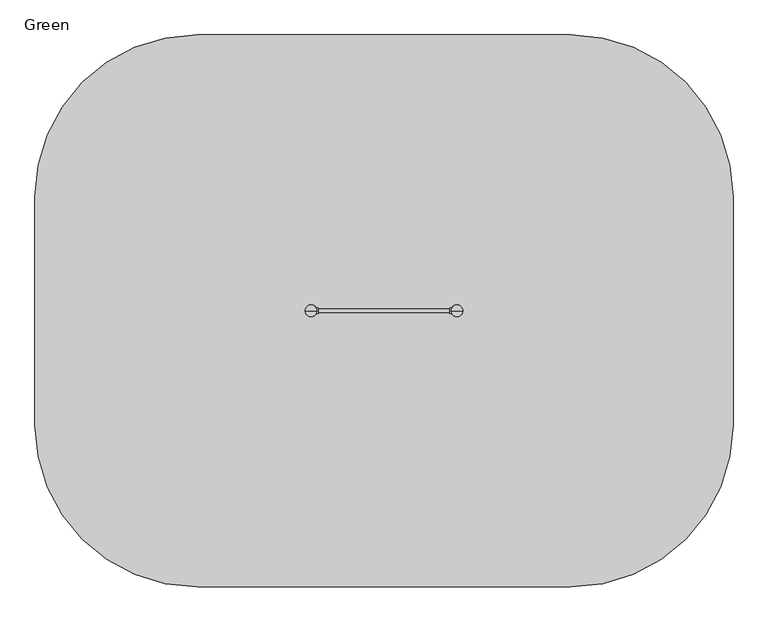
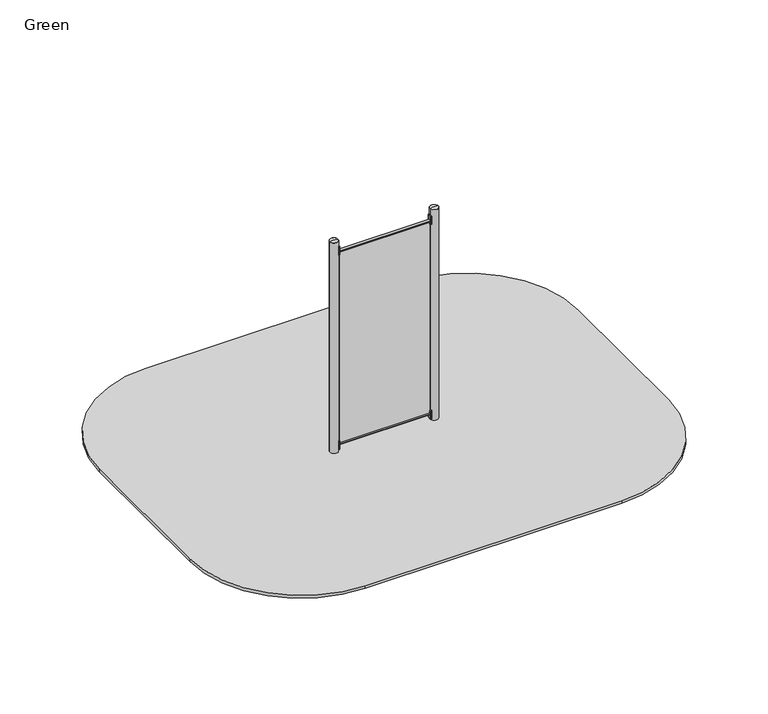
"""IFC4 building model written with IfcOpenShell, lengths in millimetres: furniture geometry, Green."""

from ifc_helpers import new_model, si_unit, point, frame, frame_2d, origin, place, context, project, spatial, polyline, circle_curve, ellipse_curve, trimmed, segment, composite_curve, outline, extrude, source, transform, mapped, element, save
from ifc_brep_helpers import plane_surface, cylinder_surface, revolved_surface, extruded_surface, advanced_brep


def green_a19da699(model_context):
    return source(origin(), model_context, "Body", "SolidModel", [
        extrude(outline(composite_curve([segment(trimmed(circle_curve(frame_2d((-627.9777489, 30.3699948)), 1.0), [point((-628.81792, 29.8276734))], [point((-627.6357288, 31.3096874))], False, "CARTESIAN"), True, "CONTINUOUS"), segment(polyline([(-627.6357288, 31.3096874), (-610.9579799, 25.2394832)]), True, "CONTINUOUS"), segment(trimmed(circle_curve(frame_2d((-611.3, 24.2997906)), 1.0), [point((-610.9579799, 25.2394832))], [point((-610.3, 24.2997906))], False, "CARTESIAN"), True, "CONTINUOUS"), segment(polyline([(-610.3, 24.2997906), (-610.3, -24.2997943)]), True, "CONTINUOUS"), segment(trimmed(circle_curve(frame_2d((-611.3, -24.2997943)), 1.0), [point((-610.3, -24.2997943))], [point((-610.9579799, -25.2394869))], False, "CARTESIAN"), True, "CONTINUOUS"), segment(polyline([(-610.9579799, -25.2394869), (-627.6357288, -31.3096911)]), True, "CONTINUOUS"), segment(trimmed(circle_curve(frame_2d((-627.9777489, -30.3699985)), 1.0), [point((-627.6357288, -31.3096911))], [point((-628.81792, -29.8276771))], False, "CARTESIAN"), True, "CONTINUOUS"), segment(trimmed(circle_curve(frame_2d((-675.0273324, -1.9e-06)), 55.0), [point((-628.81792, -29.8276771))], [point((-628.81792, 29.8276734))], True, "CARTESIAN"), True, "CONTINUOUS")], self_intersect=False)), frame((0.0, 0.0, 2790.0), z_axis=(0.0, 0.0, 1.0), x_axis=(1.0, 0.0, 0.0)), (0.0, 0.0, 1.0), 120.0),
        extrude(outline(composite_curve([segment(trimmed(circle_curve(frame_2d((-627.9777489, 30.3699948)), 1.0), [point((-628.81792, 29.8276734))], [point((-627.6357288, 31.3096874))], False, "CARTESIAN"), True, "CONTINUOUS"), segment(polyline([(-627.6357288, 31.3096874), (-610.9579799, 25.2394832)]), True, "CONTINUOUS"), segment(trimmed(circle_curve(frame_2d((-611.3, 24.2997906)), 1.0), [point((-610.9579799, 25.2394832))], [point((-610.3, 24.2997906))], False, "CARTESIAN"), True, "CONTINUOUS"), segment(polyline([(-610.3, 24.2997906), (-610.3, -24.2997943)]), True, "CONTINUOUS"), segment(trimmed(circle_curve(frame_2d((-611.3, -24.2997943)), 1.0), [point((-610.3, -24.2997943))], [point((-610.9579799, -25.2394869))], False, "CARTESIAN"), True, "CONTINUOUS"), segment(polyline([(-610.9579799, -25.2394869), (-627.6357288, -31.3096911)]), True, "CONTINUOUS"), segment(trimmed(circle_curve(frame_2d((-627.9777489, -30.3699985)), 1.0), [point((-627.6357288, -31.3096911))], [point((-628.81792, -29.8276771))], False, "CARTESIAN"), True, "CONTINUOUS"), segment(trimmed(circle_curve(frame_2d((-675.0273324, -1.9e-06)), 55.0), [point((-628.81792, -29.8276771))], [point((-628.81792, 29.8276734))], True, "CARTESIAN"), True, "CONTINUOUS")], self_intersect=False)), frame((0.0, 0.0, 20.0), z_axis=(0.0, 0.0, 1.0), x_axis=(1.0, 0.0, 0.0)), (0.0, 0.0, 1.0), 120.0),
        extrude(outline(composite_curve([segment(trimmed(circle_curve(frame_2d((627.9777489, -30.3699948)), 1.0), [point((628.81792, -29.8276734))], [point((627.6357288, -31.3096874))], False, "CARTESIAN"), True, "CONTINUOUS"), segment(polyline([(627.6357288, -31.3096874), (610.9579799, -25.2394832)]), True, "CONTINUOUS"), segment(trimmed(circle_curve(frame_2d((611.3, -24.2997906)), 1.0), [point((610.9579799, -25.2394832))], [point((610.3, -24.2997906))], False, "CARTESIAN"), True, "CONTINUOUS"), segment(polyline([(610.3, -24.2997906), (610.3, 24.2997943)]), True, "CONTINUOUS"), segment(trimmed(circle_curve(frame_2d((611.3, 24.2997943)), 1.0), [point((610.3, 24.2997943))], [point((610.9579799, 25.2394869))], False, "CARTESIAN"), True, "CONTINUOUS"), segment(polyline([(610.9579799, 25.2394869), (627.6357288, 31.3096911)]), True, "CONTINUOUS"), segment(trimmed(circle_curve(frame_2d((627.9777489, 30.3699985)), 1.0), [point((627.6357288, 31.3096911))], [point((628.81792, 29.8276771))], False, "CARTESIAN"), True, "CONTINUOUS"), segment(trimmed(circle_curve(frame_2d((675.0273324, 1.9e-06)), 55.0), [point((628.81792, 29.8276771))], [point((628.81792, -29.8276734))], True, "CARTESIAN"), True, "CONTINUOUS")], self_intersect=False)), frame((0.0, 0.0, 20.0), z_axis=(0.0, 0.0, 1.0), x_axis=(1.0, 0.0, 0.0)), (0.0, 0.0, 1.0), 120.0),
        extrude(outline(composite_curve([segment(trimmed(circle_curve(frame_2d((627.9777489, -30.3699948)), 1.0), [point((628.81792, -29.8276734))], [point((627.6357288, -31.3096874))], False, "CARTESIAN"), True, "CONTINUOUS"), segment(polyline([(627.6357288, -31.3096874), (610.9579799, -25.2394832)]), True, "CONTINUOUS"), segment(trimmed(circle_curve(frame_2d((611.3, -24.2997906)), 1.0), [point((610.9579799, -25.2394832))], [point((610.3, -24.2997906))], False, "CARTESIAN"), True, "CONTINUOUS"), segment(polyline([(610.3, -24.2997906), (610.3, 24.2997943)]), True, "CONTINUOUS"), segment(trimmed(circle_curve(frame_2d((611.3, 24.2997943)), 1.0), [point((610.3, 24.2997943))], [point((610.9579799, 25.2394869))], False, "CARTESIAN"), True, "CONTINUOUS"), segment(polyline([(610.9579799, 25.2394869), (627.6357288, 31.3096911)]), True, "CONTINUOUS"), segment(trimmed(circle_curve(frame_2d((627.9777489, 30.3699985)), 1.0), [point((627.6357288, 31.3096911))], [point((628.81792, 29.8276771))], False, "CARTESIAN"), True, "CONTINUOUS"), segment(trimmed(circle_curve(frame_2d((675.0273324, 1.9e-06)), 55.0), [point((628.81792, 29.8276771))], [point((628.81792, -29.8276734))], True, "CARTESIAN"), True, "CONTINUOUS")], self_intersect=False)), frame((0.0, 0.0, 2790.0), z_axis=(0.0, 0.0, 1.0), x_axis=(1.0, 0.0, 0.0)), (0.0, 0.0, 1.0), 120.0),
        extrude(outline(composite_curve([segment(trimmed(circle_curve(frame_2d((-675.0, 0.0)), 55.0), [point((-730.0, 0.0))], [point((-620.0, 0.0))], False, "CARTESIAN"), True, "CONTINUOUS"), segment(trimmed(circle_curve(frame_2d((-675.0, 0.0)), 55.0), [point((-620.0, 0.0))], [point((-730.0, 0.0))], False, "CARTESIAN"), True, "CONTINUOUS")], self_intersect=False)), frame((0.0, 0.0, -800.0), z_axis=(0.0, 0.0, 1.0), x_axis=(1.0, 0.0, 0.0)), (0.0, 0.0, 1.0), 700.0),
        advanced_brep(
        [(-585.0, 150.0, -800.0), (-525.0, 90.0, -800.0), (-525.0, -90.0, -800.0), (-585.0, -150.0, -800.0), (-765.0, -150.0, -800.0), (-825.0, -90.0, -800.0), (-825.0, 90.0, -800.0), (-765.0, 150.0, -800.0), (-765.0, 150.0, -660.0), (-585.0, 150.0, -660.0), (-825.0, -90.0, -660.0), (-825.0, 90.0, -660.0), (-585.0, -150.0, -660.0), (-765.0, -150.0, -660.0), (-525.0, 90.0, -660.0), (-525.0, -90.0, -660.0), (-687.2959549, 72.6989403, -450.0), (-747.2959549, 12.6989403, -450.0), (-747.2959549, -12.6989403, -450.0), (-687.2959549, -72.6989403, -450.0), (-662.7040451, -72.6989403, -450.0), (-602.7040451, -12.6989403, -450.0), (-602.7040451, 12.6989403, -450.0), (-662.7040451, 72.6989403, -450.0)],
        [
            (0, 1, circle_curve(frame((-585.0, 90.0, -800.0), z_axis=(0.0, 0.0, -1.0), x_axis=(1.0, 0.0, 0.0)), 60.0)),
            (1, 2),
            (2, 3, circle_curve(frame((-585.0, -90.0, -800.0), z_axis=(0.0, 0.0, -1.0), x_axis=(1.0, 0.0, 0.0)), 60.0)),
            (3, 4),
            (4, 5, circle_curve(frame((-765.0, -90.0, -800.0), z_axis=(0.0, 0.0, -1.0), x_axis=(1.0, 0.0, 0.0)), 60.0)),
            (5, 6),
            (6, 7, circle_curve(frame((-765.0, 90.0, -800.0), z_axis=(0.0, 0.0, -1.0), x_axis=(1.0, 0.0, 0.0)), 60.0)),
            (7, 0),
            (7, 8),
            (8, 9),
            (9, 0),
            (5, 10),
            (10, 11),
            (11, 6),
            (3, 12),
            (12, 13),
            (13, 4),
            (1, 14),
            (14, 15),
            (15, 2),
            (16, 17, circle_curve(frame((-687.2959549, 12.6989403, -450.0), z_axis=(0.0, 0.0, 1.0), x_axis=(1.0, 0.0, 0.0)), 60.0)),
            (17, 18),
            (18, 19, circle_curve(frame((-687.2959549, -12.6989403, -450.0), z_axis=(0.0, 0.0, 1.0), x_axis=(1.0, 0.0, 0.0)), 60.0)),
            (19, 20),
            (20, 21, circle_curve(frame((-662.7040451, -12.6989403, -450.0), z_axis=(0.0, 0.0, 1.0), x_axis=(1.0, 0.0, 0.0)), 60.0)),
            (21, 22),
            (22, 23, circle_curve(frame((-662.7040451, 12.6989403, -450.0), z_axis=(0.0, 0.0, 1.0), x_axis=(1.0, 0.0, 0.0)), 60.0)),
            (23, 16),
            (17, 11),
            (10, 18),
            (19, 13),
            (12, 20),
            (21, 15),
            (14, 22),
            (23, 9),
            (8, 16),
            (11, 8, circle_curve(frame((-765.0, 90.0, -660.0), z_axis=(0.0, 0.0, -1.0), x_axis=(1.0, 0.0, 0.0)), 60.0)),
            (13, 10, circle_curve(frame((-765.0, -90.0, -660.0), z_axis=(0.0, 0.0, -1.0), x_axis=(1.0, 0.0, 0.0)), 60.0)),
            (15, 12, circle_curve(frame((-585.0, -90.0, -660.0), z_axis=(0.0, 0.0, -1.0), x_axis=(1.0, 0.0, 0.0)), 60.0)),
            (9, 14, circle_curve(frame((-585.0, 90.0, -660.0), z_axis=(0.0, 0.0, -1.0), x_axis=(1.0, 0.0, 0.0)), 60.0)),
        ],
        [
            plane_surface(frame((-851.6329682, 150.0, -800.0), z_axis=(0.0, 0.0, -1.0), x_axis=(1.0, 0.0, 0.0))),
            plane_surface(frame((-585.0, 150.0, -660.0), z_axis=(0.0, 1.0, 0.0), x_axis=(0.0, 0.0, -1.0))),
            plane_surface(frame((-825.0, 90.0, -660.0), z_axis=(-1.0, 0.0, 0.0), x_axis=(0.0, 0.0, -1.0))),
            plane_surface(frame((-765.0, -150.0, -660.0), z_axis=(0.0, -1.0, 0.0), x_axis=(0.0, 0.0, -1.0))),
            plane_surface(frame((-525.0, -90.0, -660.0), z_axis=(1.0, 0.0, 0.0), x_axis=(0.0, 0.0, -1.0))),
            plane_surface(frame((-675.0, 0.0, -450.0), z_axis=(0.0, 0.0, 1.0), x_axis=(-1.0, 0.0, 0.0))),
            plane_surface(frame((-825.0, 0.0, -660.0), z_axis=(-0.9378559633153523, 0.0, 0.3470247715564883), x_axis=(0.0, -1.0, 0.0))),
            plane_surface(frame((-675.0, -150.0, -660.0), z_axis=(0.0, -0.9384407279810882, 0.3454402988452927), x_axis=(1.0, 0.0, 0.0))),
            plane_surface(frame((-525.0, 0.0, -660.0), z_axis=(0.9378559633153524, 0.0, 0.34702477155648764), x_axis=(0.0, 1.0, 0.0))),
            plane_surface(frame((-675.0, 150.0, -660.0), z_axis=(0.0, 0.9384407279810884, 0.3454402988452924), x_axis=(-1.0, 0.0, 0.0))),
            cylinder_surface(frame((-765.0, 90.0, -800.0), z_axis=(0.0, 0.0, 1.0), x_axis=(1.0, 0.0, 0.0)), 60.0),
            cylinder_surface(frame((-765.0, -90.0, -800.0), z_axis=(0.0, 0.0, 1.0), x_axis=(1.0, 0.0, 0.0)), 60.0),
            cylinder_surface(frame((-585.0, -90.0, -800.0), z_axis=(0.0, 0.0, 1.0), x_axis=(1.0, 0.0, 0.0)), 60.0),
            cylinder_surface(frame((-585.0, 90.0, -800.0), z_axis=(0.0, 0.0, 1.0), x_axis=(1.0, 0.0, 0.0)), 60.0),
            extruded_surface(trimmed(circle_curve(frame((-765.0, 90.0, -660.0), z_axis=(0.0, 0.0, 1.0), x_axis=(1.0, 0.0, 0.0)), 60.0), [point((-765.0, 150.0, -660.0))], [point((-825.0, 90.0, -660.0))], True, "CARTESIAN"), (77.70404510000003, -77.3010597, 210.0), 236.88261324049472),
            extruded_surface(trimmed(circle_curve(frame((-585.0, 90.0, -660.0), z_axis=(0.0, 0.0, 1.0), x_axis=(1.0, 0.0, 0.0)), 60.0), [point((-525.0, 90.0, -660.0))], [point((-585.0, 150.0, -660.0))], True, "CARTESIAN"), (-77.70404510000003, -77.3010597, 210.0), 236.88261324049472),
            extruded_surface(trimmed(circle_curve(frame((-765.0, -90.0, -660.0), z_axis=(0.0, 0.0, 1.0), x_axis=(1.0, 0.0, 0.0)), 60.0), [point((-825.0, -90.0, -660.0))], [point((-765.0, -150.0, -660.0))], True, "CARTESIAN"), (77.70404510000003, 77.3010597, 210.0), 236.88261324049472),
            extruded_surface(trimmed(circle_curve(frame((-585.0, -90.0, -660.0), z_axis=(0.0, 0.0, 1.0), x_axis=(1.0, 0.0, 0.0)), 60.0), [point((-585.0, -150.0, -660.0))], [point((-525.0, -90.0, -660.0))], True, "CARTESIAN"), (-77.70404510000003, 77.3010597, 210.0), 236.88261324049472),
        ],
        [
            (0, [[1, 2, 3, 4, 5, 6, 7, 8]]),
            (1, [[-8, 9, 10, 11]]),
            (2, [[-6, 12, 13, 14]]),
            (3, [[-4, 15, 16, 17]]),
            (4, [[-2, 18, 19, 20]]),
            (5, [[21, 22, 23, 24, 25, 26, 27, 28]]),
            (6, [[-22, 29, -13, 30]]),
            (7, [[-24, 31, -16, 32]]),
            (8, [[-26, 33, -19, 34]]),
            (9, [[-28, 35, -10, 36]]),
            (10, [[-7, -14, 37, -9]]),
            (11, [[-5, -17, 38, -12]]),
            (12, [[-3, -20, 39, -15]]),
            (13, [[-1, -11, 40, -18]]),
            (14, [[-21, -36, -37, -29]]),
            (15, [[-27, -34, -40, -35]]),
            (16, [[-23, -30, -38, -31]]),
            (17, [[-25, -32, -39, -33]]),
        ],
    ),
        extrude(outline(composite_curve([segment(trimmed(circle_curve(frame_2d((675.0, 0.0)), 55.0), [point((620.0, 0.0))], [point((730.0, 0.0))], False, "CARTESIAN"), True, "CONTINUOUS"), segment(trimmed(circle_curve(frame_2d((675.0, 0.0)), 55.0), [point((730.0, 0.0))], [point((620.0, 0.0))], False, "CARTESIAN"), True, "CONTINUOUS")], self_intersect=False)), frame((0.0, 0.0, -800.0), z_axis=(0.0, 0.0, 1.0), x_axis=(1.0, 0.0, 0.0)), (0.0, 0.0, 1.0), 700.0),
        advanced_brep(
        [(765.0, 150.0, -800.0), (825.0, 90.0, -800.0), (825.0, -90.0, -800.0), (765.0, -150.0, -800.0), (585.0, -150.0, -800.0), (525.0, -90.0, -800.0), (525.0, 90.0, -800.0), (585.0, 150.0, -800.0), (585.0, 150.0, -660.0), (765.0, 150.0, -660.0), (525.0, -90.0, -660.0), (525.0, 90.0, -660.0), (765.0, -150.0, -660.0), (585.0, -150.0, -660.0), (825.0, 90.0, -660.0), (825.0, -90.0, -660.0), (662.7040451, 72.6989403, -450.0), (602.7040451, 12.6989403, -450.0), (602.7040451, -12.6989403, -450.0), (662.7040451, -72.6989403, -450.0), (687.2959549, -72.6989403, -450.0), (747.2959549, -12.6989403, -450.0), (747.2959549, 12.6989403, -450.0), (687.2959549, 72.6989403, -450.0)],
        [
            (0, 1, circle_curve(frame((765.0, 90.0, -800.0), z_axis=(0.0, 0.0, -1.0), x_axis=(1.0, 0.0, 0.0)), 60.0)),
            (1, 2),
            (2, 3, circle_curve(frame((765.0, -90.0, -800.0), z_axis=(0.0, 0.0, -1.0), x_axis=(1.0, 0.0, 0.0)), 60.0)),
            (3, 4),
            (4, 5, circle_curve(frame((585.0, -90.0, -800.0), z_axis=(0.0, 0.0, -1.0), x_axis=(1.0, 0.0, 0.0)), 60.0)),
            (5, 6),
            (6, 7, circle_curve(frame((585.0, 90.0, -800.0), z_axis=(0.0, 0.0, -1.0), x_axis=(1.0, 0.0, 0.0)), 60.0)),
            (7, 0),
            (7, 8),
            (8, 9),
            (9, 0),
            (5, 10),
            (10, 11),
            (11, 6),
            (3, 12),
            (12, 13),
            (13, 4),
            (1, 14),
            (14, 15),
            (15, 2),
            (16, 17, circle_curve(frame((662.7040451, 12.6989403, -450.0), z_axis=(0.0, 0.0, 1.0), x_axis=(1.0, 0.0, 0.0)), 60.0)),
            (17, 18),
            (18, 19, circle_curve(frame((662.7040451, -12.6989403, -450.0), z_axis=(0.0, 0.0, 1.0), x_axis=(1.0, 0.0, 0.0)), 60.0)),
            (19, 20),
            (20, 21, circle_curve(frame((687.2959549, -12.6989403, -450.0), z_axis=(0.0, 0.0, 1.0), x_axis=(1.0, 0.0, 0.0)), 60.0)),
            (21, 22),
            (22, 23, circle_curve(frame((687.2959549, 12.6989403, -450.0), z_axis=(0.0, 0.0, 1.0), x_axis=(1.0, 0.0, 0.0)), 60.0)),
            (23, 16),
            (17, 11),
            (10, 18),
            (19, 13),
            (12, 20),
            (21, 15),
            (14, 22),
            (23, 9),
            (8, 16),
            (11, 8, circle_curve(frame((585.0, 90.0, -660.0), z_axis=(0.0, 0.0, -1.0), x_axis=(1.0, 0.0, 0.0)), 60.0)),
            (13, 10, circle_curve(frame((585.0, -90.0, -660.0), z_axis=(0.0, 0.0, -1.0), x_axis=(1.0, 0.0, 0.0)), 60.0)),
            (15, 12, circle_curve(frame((765.0, -90.0, -660.0), z_axis=(0.0, 0.0, -1.0), x_axis=(1.0, 0.0, 0.0)), 60.0)),
            (9, 14, circle_curve(frame((765.0, 90.0, -660.0), z_axis=(0.0, 0.0, -1.0), x_axis=(1.0, 0.0, 0.0)), 60.0)),
        ],
        [
            plane_surface(frame((498.3670318, 150.0, -800.0), z_axis=(0.0, 0.0, -1.0), x_axis=(1.0, 0.0, 0.0))),
            plane_surface(frame((765.0, 150.0, -660.0), z_axis=(0.0, 1.0, 0.0), x_axis=(0.0, 0.0, -1.0))),
            plane_surface(frame((525.0, 90.0, -660.0), z_axis=(-1.0, 0.0, 0.0), x_axis=(0.0, 0.0, -1.0))),
            plane_surface(frame((585.0, -150.0, -660.0), z_axis=(0.0, -1.0, 0.0), x_axis=(0.0, 0.0, -1.0))),
            plane_surface(frame((825.0, -90.0, -660.0), z_axis=(1.0, 0.0, 0.0), x_axis=(0.0, 0.0, -1.0))),
            plane_surface(frame((675.0, 0.0, -450.0), z_axis=(0.0, 0.0, 1.0), x_axis=(-1.0, 0.0, 0.0))),
            plane_surface(frame((525.0, 0.0, -660.0), z_axis=(-0.9378559633153523, 0.0, 0.3470247715564883), x_axis=(0.0, -1.0, 0.0))),
            plane_surface(frame((675.0, -150.0, -660.0), z_axis=(0.0, -0.9384407279810882, 0.3454402988452927), x_axis=(1.0, 0.0, 0.0))),
            plane_surface(frame((825.0, 0.0, -660.0), z_axis=(0.9378559633153524, 0.0, 0.34702477155648764), x_axis=(0.0, 1.0, 0.0))),
            plane_surface(frame((675.0, 150.0, -660.0), z_axis=(0.0, 0.9384407279810884, 0.3454402988452924), x_axis=(-1.0, 0.0, 0.0))),
            cylinder_surface(frame((585.0, 90.0, -800.0), z_axis=(0.0, 0.0, 1.0), x_axis=(1.0, 0.0, 0.0)), 60.0),
            cylinder_surface(frame((585.0, -90.0, -800.0), z_axis=(0.0, 0.0, 1.0), x_axis=(1.0, 0.0, 0.0)), 60.0),
            cylinder_surface(frame((765.0, -90.0, -800.0), z_axis=(0.0, 0.0, 1.0), x_axis=(1.0, 0.0, 0.0)), 60.0),
            cylinder_surface(frame((765.0, 90.0, -800.0), z_axis=(0.0, 0.0, 1.0), x_axis=(1.0, 0.0, 0.0)), 60.0),
            extruded_surface(trimmed(circle_curve(frame((585.0, 90.0, -660.0), z_axis=(0.0, 0.0, 1.0), x_axis=(1.0, 0.0, 0.0)), 60.0), [point((585.0, 150.0, -660.0))], [point((525.0, 90.0, -660.0))], True, "CARTESIAN"), (77.70404510000003, -77.3010597, 210.0), 236.88261324049472),
            extruded_surface(trimmed(circle_curve(frame((765.0, 90.0, -660.0), z_axis=(0.0, 0.0, 1.0), x_axis=(1.0, 0.0, 0.0)), 60.0), [point((825.0, 90.0, -660.0))], [point((765.0, 150.0, -660.0))], True, "CARTESIAN"), (-77.70404510000003, -77.3010597, 210.0), 236.88261324049472),
            extruded_surface(trimmed(circle_curve(frame((585.0, -90.0, -660.0), z_axis=(0.0, 0.0, 1.0), x_axis=(1.0, 0.0, 0.0)), 60.0), [point((525.0, -90.0, -660.0))], [point((585.0, -150.0, -660.0))], True, "CARTESIAN"), (77.70404510000003, 77.3010597, 210.0), 236.88261324049472),
            extruded_surface(trimmed(circle_curve(frame((765.0, -90.0, -660.0), z_axis=(0.0, 0.0, 1.0), x_axis=(1.0, 0.0, 0.0)), 60.0), [point((765.0, -150.0, -660.0))], [point((825.0, -90.0, -660.0))], True, "CARTESIAN"), (-77.70404510000003, 77.3010597, 210.0), 236.88261324049472),
        ],
        [
            (0, [[1, 2, 3, 4, 5, 6, 7, 8]]),
            (1, [[-8, 9, 10, 11]]),
            (2, [[-6, 12, 13, 14]]),
            (3, [[-4, 15, 16, 17]]),
            (4, [[-2, 18, 19, 20]]),
            (5, [[21, 22, 23, 24, 25, 26, 27, 28]]),
            (6, [[-22, 29, -13, 30]]),
            (7, [[-24, 31, -16, 32]]),
            (8, [[-26, 33, -19, 34]]),
            (9, [[-28, 35, -10, 36]]),
            (10, [[-7, -14, 37, -9]]),
            (11, [[-5, -17, 38, -12]]),
            (12, [[-3, -20, 39, -15]]),
            (13, [[-1, -11, 40, -18]]),
            (14, [[-21, -36, -37, -29]]),
            (15, [[-27, -34, -40, -35]]),
            (16, [[-23, -30, -38, -31]]),
            (17, [[-25, -32, -39, -33]]),
        ],
    ),
        advanced_brep(
        [(-620.0, 0.0, 3000.0), (-730.0, 0.0, 3000.0), (-675.0, 0.0, 3012.0246565), (-675.0, 0.0, 3000.0)],
        [
            (0, 1, circle_curve(frame((-675.0, 0.0, 3000.0), z_axis=(0.0, 0.0, 1.0), x_axis=(-1.0, 0.0, 0.0)), 55.0)),
            (1, 2, circle_curve(frame((-679.5450144, 0.0, 2901.0177111), z_axis=(0.0, 1.0, 0.0), x_axis=(-1.0, 0.0, 0.0)), 111.0999509)),
            (2, 0, circle_curve(frame((-670.4549856, 0.0, 2901.0177111), z_axis=(0.0, 1.0, 0.0), x_axis=(1.0, 0.0, 0.0)), 111.0999509)),
            (1, 0, circle_curve(frame((-675.0, 0.0, 3000.0), z_axis=(0.0, 0.0, 1.0), x_axis=(-1.0, 0.0, 0.0)), 55.0)),
            (3, 1),
            (0, 3),
        ],
        [
            revolved_surface(trimmed(ellipse_curve(frame((-679.5450144, 0.0, 2901.0177111), z_axis=(0.0, -1.0, 0.0), x_axis=(-1.0, 0.0, 0.0)), 111.0999509, 111.0999509), [point((-675.0, 0.0, 3012.0246565))], [point((-730.0, 0.0, 3000.0))], True, "CARTESIAN"), (-675.0, 0.0, 2619.0), (0.0, 0.0, -1.0)),
            plane_surface(frame((-675.0, 0.0, 3000.0), z_axis=(0.0, 0.0, -1.0), x_axis=(-1.0, 0.0, 0.0))),
        ],
        [
            (0, [[1, 2, 3]]),
            (0, [[4, -3, -2]]),
            (1, [[5, -1, 6]]),
            (1, [[-6, -4, -5]]),
        ],
    ),
        advanced_brep(
        [(730.0, 0.0, 3000.0), (620.0, 0.0, 3000.0), (675.0, 0.0, 3012.0246565), (675.0, 0.0, 3000.0)],
        [
            (0, 1, circle_curve(frame((675.0, 0.0, 3000.0), z_axis=(0.0, 0.0, 1.0), x_axis=(-1.0, 0.0, 0.0)), 55.0)),
            (1, 2, circle_curve(frame((670.4549856, 0.0, 2901.0177111), z_axis=(0.0, 1.0, 0.0), x_axis=(-1.0, 0.0, 0.0)), 111.0999509)),
            (2, 0, circle_curve(frame((679.5450144, 0.0, 2901.0177111), z_axis=(0.0, 1.0, 0.0), x_axis=(1.0, 0.0, 0.0)), 111.0999509)),
            (1, 0, circle_curve(frame((675.0, 0.0, 3000.0), z_axis=(0.0, 0.0, 1.0), x_axis=(-1.0, 0.0, 0.0)), 55.0)),
            (3, 1),
            (0, 3),
        ],
        [
            revolved_surface(trimmed(ellipse_curve(frame((670.4549856, 0.0, 2901.0177111), z_axis=(0.0, -1.0, 0.0), x_axis=(-1.0, 0.0, 0.0)), 111.0999509, 111.0999509), [point((675.0, 0.0, 3012.0246565))], [point((620.0, 0.0, 3000.0))], True, "CARTESIAN"), (675.0, 0.0, 2619.0), (0.0, 0.0, -1.0)),
            plane_surface(frame((675.0, 0.0, 3000.0), z_axis=(0.0, 0.0, -1.0), x_axis=(-1.0, 0.0, 0.0))),
        ],
        [
            (0, [[1, 2, 3]]),
            (0, [[4, -3, -2]]),
            (1, [[5, -1, 6]]),
            (1, [[-6, -4, -5]]),
        ],
    ),
        extrude(outline(polyline([(610.3, -7.5), (-610.3, -7.5), (-610.3, 7.5), (610.3, 7.5), (610.3, -7.5)])), frame((0.0, 0.0, 98.5), z_axis=(0.0, 0.0, 1.0), x_axis=(1.0, 0.0, 0.0)), (0.0, 0.0, 1.0), 2716.9369511),
        extrude(outline(composite_curve([segment(trimmed(circle_curve(frame_2d((0.0, 82.0)), 16.5), [point((-16.5, 82.0))], [point((16.5, 82.0))], False, "CARTESIAN"), True, "CONTINUOUS"), segment(trimmed(circle_curve(frame_2d((0.0, 82.0)), 16.5), [point((16.5, 82.0))], [point((-16.5, 82.0))], False, "CARTESIAN"), True, "CONTINUOUS")], self_intersect=False)), frame((-610.3, 0.0, 0.0), z_axis=(1.0, 0.0, 0.0), x_axis=(0.0, 1.0, 0.0)), (0.0, 0.0, 1.0), 1220.6),
        extrude(outline(composite_curve([segment(trimmed(circle_curve(frame_2d((0.0, 2831.9367793)), 16.5), [point((-16.5, 2831.9367793))], [point((16.5, 2831.9367793))], False, "CARTESIAN"), True, "CONTINUOUS"), segment(trimmed(circle_curve(frame_2d((0.0, 2831.9367793)), 16.5), [point((16.5, 2831.9367793))], [point((-16.5, 2831.9367793))], False, "CARTESIAN"), True, "CONTINUOUS")], self_intersect=False)), frame((-610.3, 0.0, 0.0), z_axis=(1.0, 0.0, 0.0), x_axis=(0.0, 1.0, 0.0)), (0.0, 0.0, 1.0), 1220.6),
        extrude(outline(composite_curve([segment(trimmed(circle_curve(frame_2d((1730.0, 1055.0)), 1500.0), [point((1730.0, 2555.0))], [point((3230.0, 1055.0))], False, "CARTESIAN"), True, "CONTINUOUS"), segment(polyline([(3230.0, 1055.0), (3230.0, -1055.0)]), True, "CONTINUOUS"), segment(trimmed(circle_curve(frame_2d((1730.0, -1055.0)), 1500.0), [point((3230.0, -1055.0))], [point((1730.0, -2555.0))], False, "CARTESIAN"), True, "CONTINUOUS"), segment(polyline([(1730.0, -2555.0), (-1730.0, -2555.0)]), True, "CONTINUOUS"), segment(trimmed(circle_curve(frame_2d((-1730.0, -1055.0)), 1500.0), [point((-1730.0, -2555.0))], [point((-3230.0, -1055.0))], False, "CARTESIAN"), True, "CONTINUOUS"), segment(polyline([(-3230.0, -1055.0), (-3230.0, 1055.0)]), True, "CONTINUOUS"), segment(trimmed(circle_curve(frame_2d((-1730.0, 1055.0)), 1500.0), [point((-3230.0, 1055.0))], [point((-1730.0, 2555.0))], False, "CARTESIAN"), True, "CONTINUOUS"), segment(polyline([(-1730.0, 2555.0), (1730.0, 2555.0)]), True, "CONTINUOUS")], self_intersect=False)), frame((0.0, 0.0, -40.0), z_axis=(0.0, 0.0, 1.0), x_axis=(1.0, 0.0, 0.0)), (0.0, 0.0, 1.0), 41.0),
        extrude(outline(composite_curve([segment(trimmed(circle_curve(frame_2d((-675.0, 0.0)), 55.0), [point((-730.0, 0.0))], [point((-620.0, 0.0))], False, "CARTESIAN"), True, "CONTINUOUS"), segment(trimmed(circle_curve(frame_2d((-675.0, 0.0)), 55.0), [point((-620.0, 0.0))], [point((-730.0, 0.0))], False, "CARTESIAN"), True, "CONTINUOUS")], self_intersect=False)), frame((0.0, 0.0, -100.0), z_axis=(0.0, 0.0, 1.0), x_axis=(1.0, 0.0, 0.0)), (0.0, 0.0, 1.0), 3100.0),
        extrude(outline(composite_curve([segment(trimmed(circle_curve(frame_2d((675.0, 0.0)), 55.0), [point((620.0, 0.0))], [point((730.0, 0.0))], False, "CARTESIAN"), True, "CONTINUOUS"), segment(trimmed(circle_curve(frame_2d((675.0, 0.0)), 55.0), [point((730.0, 0.0))], [point((620.0, 0.0))], False, "CARTESIAN"), True, "CONTINUOUS")], self_intersect=False)), frame((0.0, 0.0, -100.0), z_axis=(0.0, 0.0, 1.0), x_axis=(1.0, 0.0, 0.0)), (0.0, 0.0, 1.0), 3100.0),
    ])


if __name__ == "__main__":
    model = new_model("IFC4")
    model_context = context("Model", 3, world=origin())
    ifc_project = project(units=[si_unit("LENGTHUNIT", "METRE", prefix="MILLI")], contexts=[model_context])
    site = spatial("IfcSite", under=ifc_project)
    building = spatial("IfcBuilding", under=site)
    placement = place(None, origin())
    green_shape = green_a19da699(model_context)
    element("IfcFurniture", 1, ObjectType="Green", at=placement, inside=building, context=model_context, shape_type="MappedRepresentation", body=[
        mapped(green_shape, transform((0.0, 0.0, 0.0), x_axis=(1.0, 0.0, 0.0), y_axis=(0.0, 1.0, 0.0), z_axis=(0.0, 0.0, 1.0))),
    ])
    save(model, "model.ifc")
